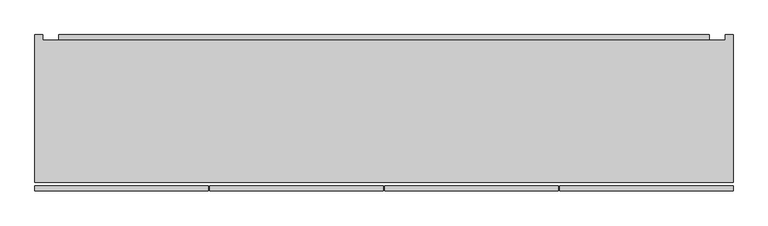
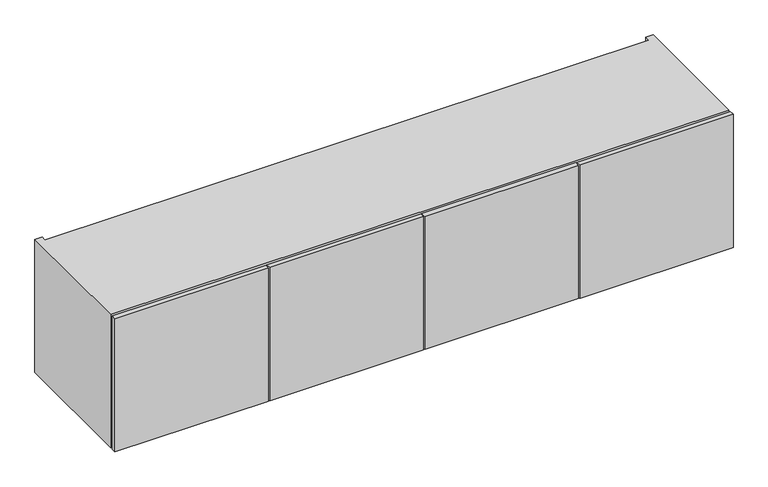
"""IFC4 building model written with IfcOpenShell, lengths in millimetres: furniture geometry."""

import ifcopenshell
import ifcopenshell.guid

model = None  # the IFC model being written
_history = None  # IfcOwnerHistory: only IFC2X3 demands one
_inside = {}  # id of a spatial element -> (the spatial element, [elements in it])
_under = {}  # id of a project, library or spatial element -> (it, [spatial elements below it])
_declared = {}  # id of a project -> (the project, [libraries it declares])
_typed = {}  # id of a type object -> (the type object, [elements of that type])
_made_of = {}  # id of a material, layer set ... -> (it, [elements and type objects made of it])


def new_model(schema):
    """Start an empty IFC model of exactly this schema.

    Asked for "IFC4X3", IfcOpenShell would pick the latest addendum, in which some entities
    have other attributes; the version numbers below select the first issue.
    IFC2X3 requires an IfcOwnerHistory on every rooted entity: one is made here for all.
    """
    global model, _history
    if schema == "IFC4X3":
        model = ifcopenshell.file(schema_version=(4, 3, 0, 0))
    else:
        model = ifcopenshell.file(schema=schema)
    _inside.clear()
    _under.clear()
    _declared.clear()
    _typed.clear()
    _made_of.clear()
    _history = None
    if model.schema == "IFC2X3":
        org = make("IfcOrganization", Name="unknown")
        user = make(
            "IfcPersonAndOrganization",
            ThePerson=make("IfcPerson", FamilyName="unknown"),
            TheOrganization=org,
        )
        app = make(
            "IfcApplication",
            ApplicationDeveloper=org,
            Version="unknown",
            ApplicationFullName="unknown",
            ApplicationIdentifier="unknown",
        )
        _history = make(
            "IfcOwnerHistory",
            OwningUser=user,
            OwningApplication=app,
            ChangeAction="ADDED",
            CreationDate=0,
        )
    return model


def make(cls, **values):
    """One entity of the class cls with the attributes given. An attribute that is None is left unset."""
    return model.create_entity(
        cls, **{name: value for name, value in values.items() if value is not None}
    )


def rooted(cls, **values):
    """An entity with a GlobalId (a new one), such as an element, a storey or a relation."""
    return make(cls, GlobalId=ifcopenshell.guid.new(), OwnerHistory=_history, **values)


def si_unit(unit_type, name, prefix=None):
    """IfcSIUnit, for example si_unit("LENGTHUNIT", "METRE", prefix="MILLI")."""
    return make("IfcSIUnit", UnitType=unit_type, Prefix=prefix, Name=name)


def assignment(units):
    """IfcUnitAssignment: the units of a project."""
    return None if units is None else make("IfcUnitAssignment", Units=units)


def point(xyz):
    """IfcCartesianPoint."""
    return None if xyz is None else make("IfcCartesianPoint", Coordinates=xyz)


def direction(xyz):
    """IfcDirection."""
    return None if xyz is None else make("IfcDirection", DirectionRatios=xyz)


def frame(location, z_axis=None, x_axis=None):
    """IfcAxis2Placement3D, a coordinate frame: its origin and axes. An axis left out is left unset."""
    return make(
        "IfcAxis2Placement3D",
        Location=point(location),
        Axis=direction(z_axis),
        RefDirection=direction(x_axis),
    )


def origin():
    """The frame at (0, 0, 0) with its axes left unset."""
    return frame((0.0, 0.0, 0.0))


def place(relative_to, where):
    """IfcLocalPlacement: puts the frame where relative to a parent placement (None: the world)."""
    return make(
        "IfcLocalPlacement", PlacementRelTo=relative_to, RelativePlacement=where
    )


def context(
    kind, dimensions, precision=None, world=None, true_north=None, identifier=None
):
    """IfcGeometricRepresentationContext, for example the 3D "Model" context."""
    return make(
        "IfcGeometricRepresentationContext",
        ContextIdentifier=identifier,
        ContextType=kind,
        CoordinateSpaceDimension=dimensions,
        Precision=precision,
        WorldCoordinateSystem=world,
        TrueNorth=true_north,
    )


def project(units=None, contexts=None):
    """IfcProject with its units and contexts."""
    return rooted(
        "IfcProject",
        Name="project",
        RepresentationContexts=contexts,
        UnitsInContext=assignment(units),
    )


def spatial(cls, under=None, at=None, **own):
    """A site, building, storey or space (cls), placed at a placement, below another one or the project."""
    s = rooted(cls, ObjectPlacement=at, **own)
    if under is not None:
        _under.setdefault(under.id(), (under, []))[1].append(s)
    return s


def polyline(points):
    """IfcPolyline through the points."""
    return make("IfcPolyline", Points=[point(p) for p in points])


def outline(outer, holes=None, kind="AREA"):
    """IfcArbitraryClosedProfileDef: a profile drawn as a closed curve; with holes, ...WithVoids."""
    if holes is None:
        return make("IfcArbitraryClosedProfileDef", ProfileType=kind, OuterCurve=outer)
    return make(
        "IfcArbitraryProfileDefWithVoids",
        ProfileType=kind,
        OuterCurve=outer,
        InnerCurves=holes,
    )


def extrude(swept, where, along, depth):
    """IfcExtrudedAreaSolid: the profile swept, set in the frame where, extruded along a direction by depth."""
    return make(
        "IfcExtrudedAreaSolid",
        SweptArea=swept,
        Position=where,
        ExtrudedDirection=direction(along),
        Depth=depth,
    )


def faces_of(points, faces, orient=None, outer=None):
    """IfcFace entities. A face is a list of loops; a loop is a list of indices into points, from 0.

    orient and outer hold one flag for each loop. By default every Orientation is true, the
    first loop of a face is its IfcFaceOuterBound and the others are IfcFaceBound.
    """
    made = []
    for i, loops in enumerate(faces):
        bounds = []
        for j, loop in enumerate(loops):
            is_outer = j == 0 if outer is None else outer[i][j]
            bounds.append(
                make(
                    "IfcFaceOuterBound" if is_outer else "IfcFaceBound",
                    Bound=make("IfcPolyLoop", Polygon=[points[k] for k in loop]),
                    Orientation=True if orient is None else orient[i][j],
                )
            )
        made.append(make("IfcFace", Bounds=bounds))
    return made


def faceted_brep(points, faces, orient=None, outer=None, voids=None):
    """IfcFacetedBrep: a solid bounded by flat faces; with voids (closed shells), ...WithVoids."""
    shared = [point(p) for p in points]
    hull = make("IfcClosedShell", CfsFaces=faces_of(shared, faces, orient, outer))
    if voids is None:
        return make("IfcFacetedBrep", Outer=hull)
    return make(
        "IfcFacetedBrepWithVoids",
        Outer=hull,
        Voids=[
            make(cls, CfsFaces=faces_of(shared, fs, o, b)) for cls, fs, o, b in voids
        ],
    )


def shape(context_of_items, identifier, shape_type, items):
    """IfcShapeRepresentation: the items that make up one representation, for example the "Body"."""
    return make(
        "IfcShapeRepresentation",
        ContextOfItems=context_of_items,
        RepresentationIdentifier=identifier,
        RepresentationType=shape_type,
        Items=items,
    )


def source(mapping_origin, context_of_items, identifier, shape_type, items):
    """IfcRepresentationMap: a shape defined once, which mapped items show again and again."""
    return make(
        "IfcRepresentationMap",
        MappingOrigin=mapping_origin,
        MappedRepresentation=shape(context_of_items, identifier, shape_type, items),
    )


def transform(
    local_origin,
    x_axis=None,
    y_axis=None,
    z_axis=None,
    scale=None,
    scale2=None,
    scale3=None,
    uniform=True,
):
    """IfcCartesianTransformationOperator3D, or its non-uniform kind. x_axis, y_axis, z_axis: its Axis1, 2, 3."""
    if uniform:
        return make(
            "IfcCartesianTransformationOperator3D",
            Axis1=direction(x_axis),
            Axis2=direction(y_axis),
            LocalOrigin=point(local_origin),
            Scale=scale,
            Axis3=direction(z_axis),
        )
    return make(
        "IfcCartesianTransformationOperator3DnonUniform",
        Axis1=direction(x_axis),
        Axis2=direction(y_axis),
        LocalOrigin=point(local_origin),
        Scale=scale,
        Axis3=direction(z_axis),
        Scale2=scale2,
        Scale3=scale3,
    )


def mapped(mapping_source, mapping_target):
    """IfcMappedItem: shows the shape of a source again, moved by a transform."""
    return make(
        "IfcMappedItem", MappingSource=mapping_source, MappingTarget=mapping_target
    )


def made_of(thing, what):
    """Note that an element or type object is made of a material, layer set ...; save() writes the relation."""
    if what is not None:
        _made_of.setdefault(what.id(), (what, []))[1].append(thing)
    return thing


def element(
    cls,
    number,
    at=None,
    inside=None,
    cuts=None,
    type_object=None,
    material=None,
    context=None,
    identifier="Body",
    shape_type=None,
    held_by="IfcProductDefinitionShape",
    body=None,
    shapes=None,
    **own,
):
    """One element of the class cls, such as IfcWall. Its Tag is "e" and its number.

    at: its placement. inside: the storey or other place that contains it. cuts: it is an
    opening in that element (IfcRelVoidsElement). A single representation is given by context,
    identifier, shape_type and body (its items); several are given by shapes. held_by: the class
    of the entity that holds the representations. save() writes the other relations.
    """
    e = rooted(cls, Tag="e%d" % number, ObjectPlacement=at, **own)
    if body is not None:
        shapes = [shape(context, identifier, shape_type, body)]
    if shapes is not None:
        e.Representation = make(held_by, Representations=shapes)
    if inside is not None:
        _inside.setdefault(inside.id(), (inside, []))[1].append(e)
    if cuts is not None:
        rooted(
            "IfcRelVoidsElement", RelatingBuildingElement=cuts, RelatedOpeningElement=e
        )
    if type_object is not None:
        _typed.setdefault(type_object.id(), (type_object, []))[1].append(e)
    return made_of(e, material)


def aggregate(whole, parts):
    """IfcRelAggregates: a whole, such as a stair, and the parts it consists of."""
    return rooted("IfcRelAggregates", RelatingObject=whole, RelatedObjects=parts)


def save(model, path):
    """Write the relations noted so far, then the file.

    IfcRelAggregates (storeys below a building ...), IfcRelContainedInSpatialStructure (elements
    in a storey), IfcRelDefinesByType, IfcRelAssociatesMaterial and IfcRelDeclares: one each for
    every whole, place, type object, material and project.
    """
    for whole, parts in _under.values():
        aggregate(whole, parts)
    for where, things in _inside.values():
        rooted(
            "IfcRelContainedInSpatialStructure",
            RelatedElements=things,
            RelatingStructure=where,
        )
    for kind, things in _typed.values():
        rooted("IfcRelDefinesByType", RelatedObjects=things, RelatingType=kind)
    for what, things in _made_of.values():
        rooted("IfcRelAssociatesMaterial", RelatedObjects=things, RelatingMaterial=what)
    for by, libraries in _declared.values():
        rooted("IfcRelDeclares", RelatingContext=by, RelatedDefinitions=libraries)
    model.write(path)


def furniture_dbb61a48(model_context):
    return source(origin(), model_context, "Body", "SolidModel", [
        extrude(outline(polyline([(158.8226276, 1601.7748), (145.5282676, 1622.45294), (145.5282676, 1684.3248), (158.8226276, 1684.3248), (158.8226276, 1601.7748)])), frame((-399.796, 0.0, 0.0), z_axis=(1.0, 0.0, 0.0), x_axis=(0.0, 1.0, 0.0)), (0.0, 0.0, 1.0), 1556.512),
        extrude(outline(polyline([(145.5282676, 1613.4588), (158.8226276, 1592.78066), (158.8226276, 1530.9088), (145.5282676, 1530.9088), (145.5282676, 1613.4588)])), frame((-399.796, 0.0, 0.0), z_axis=(1.0, 0.0, 0.0), x_axis=(0.0, 1.0, 0.0)), (0.0, 0.0, 1.0), 1556.512),
        extrude(outline(polyline([(795.9725, -215.8273724), (380.0475, -215.8273724), (380.0475, -203.1273724), (795.9725, -203.1273724), (795.9725, -215.8273724)])), frame((0.0, 0.0, 1322.6288), z_axis=(0.0, 0.0, 1.0), x_axis=(1.0, 0.0, 0.0)), (0.0, 0.0, 1.0), 381.0),
        extrude(outline(polyline([(376.8725, -215.8273724), (-39.0525, -215.8273724), (-39.0525, -203.1273724), (376.8725, -203.1273724), (376.8725, -215.8273724)])), frame((0.0, 0.0, 1322.6288), z_axis=(0.0, 0.0, 1.0), x_axis=(1.0, 0.0, 0.0)), (0.0, 0.0, 1.0), 381.0),
        extrude(outline(polyline([(-42.2275, -215.8273724), (-457.2, -215.8273724), (-457.2, -203.1273724), (-42.2275, -203.1273724), (-42.2275, -215.8273724)])), frame((0.0, 0.0, 1322.6288), z_axis=(0.0, 0.0, 1.0), x_axis=(1.0, 0.0, 0.0)), (0.0, 0.0, 1.0), 381.0),
        extrude(outline(polyline([(1214.12, -215.8273724), (799.1475, -215.8273724), (799.1475, -203.1273724), (1214.12, -203.1273724), (1214.12, -215.8273724)])), frame((0.0, 0.0, 1322.6288), z_axis=(0.0, 0.0, 1.0), x_axis=(1.0, 0.0, 0.0)), (0.0, 0.0, 1.0), 381.0),
        extrude(outline(polyline([(1194.816, 145.5282676), (1194.816, 126.2242676), (-437.896, 126.2242676), (-437.896, 145.5282676), (1194.816, 145.5282676)])), frame((0.0, 0.0, 1341.9328), z_axis=(0.0, 0.0, 1.0), x_axis=(1.0, 0.0, 0.0)), (0.0, 0.0, 1.0), 342.392),
        faceted_brep([(-457.2, -195.5073724, 1703.6288), (-457.2, -195.5073724, 1322.6288), (1214.12, -195.5073724, 1322.6288), (1214.12, -195.5073724, 1703.6288), (-437.896, -195.5073724, 1684.3248), (1194.816, -195.5073724, 1684.3248), (1194.816, -195.5073724, 1341.9328), (-437.896, -195.5073724, 1341.9328), (1194.816, 145.5282676, 1684.3248), (-437.896, 145.5282676, 1684.3248), (-437.896, 145.5282676, 1703.6288), (1194.816, 145.5282676, 1703.6288), (1194.816, 145.5282676, 1322.6288), (-437.896, 145.5282676, 1322.6288), (-437.896, 145.5282676, 1341.9328), (1194.816, 145.5282676, 1341.9328), (1214.12, 158.8226276, 1703.6288), (1194.816, 158.8226276, 1703.6288), (-437.896, 158.8226276, 1703.6288), (-457.2, 158.8226276, 1703.6288), (-457.2, 158.8226276, 1322.6288), (-437.896, 158.8226276, 1322.6288), (1194.816, 158.8226276, 1322.6288), (1214.12, 158.8226276, 1322.6288)], [[[0, 1, 2, 3], [4, 5, 6, 7]], [[8, 9, 10, 11]], [[12, 13, 14, 15]], [[0, 3, 16, 17, 11, 10, 18, 19]], [[5, 4, 9, 8]], [[7, 6, 15, 14]], [[2, 1, 20, 21, 13, 12, 22, 23]], [[19, 18, 21, 20]], [[0, 19, 20, 1]], [[21, 18, 10, 9, 4, 7, 14, 13]], [[17, 22, 12, 15, 6, 5, 8, 11]], [[16, 3, 2, 23]], [[17, 16, 23, 22]]]),
    ])


if __name__ == "__main__":
    model = new_model("IFC4")
    model_context = context("Model", 3, world=origin())
    ifc_project = project(units=[si_unit("LENGTHUNIT", "METRE", prefix="MILLI")], contexts=[model_context])
    site = spatial("IfcSite", under=ifc_project)
    building = spatial("IfcBuilding", under=site)
    placement = place(None, origin())
    furniture_shape = furniture_dbb61a48(model_context)
    element("IfcFurniture", 1, at=placement, inside=building, context=model_context, shape_type="MappedRepresentation", body=[
        mapped(furniture_shape, transform((0.0, 0.0, 0.0), x_axis=(1.0, 0.0, 0.0), y_axis=(0.0, 1.0, 0.0), z_axis=(0.0, 0.0, 1.0))),
    ])
    save(model, "model.ifc")
